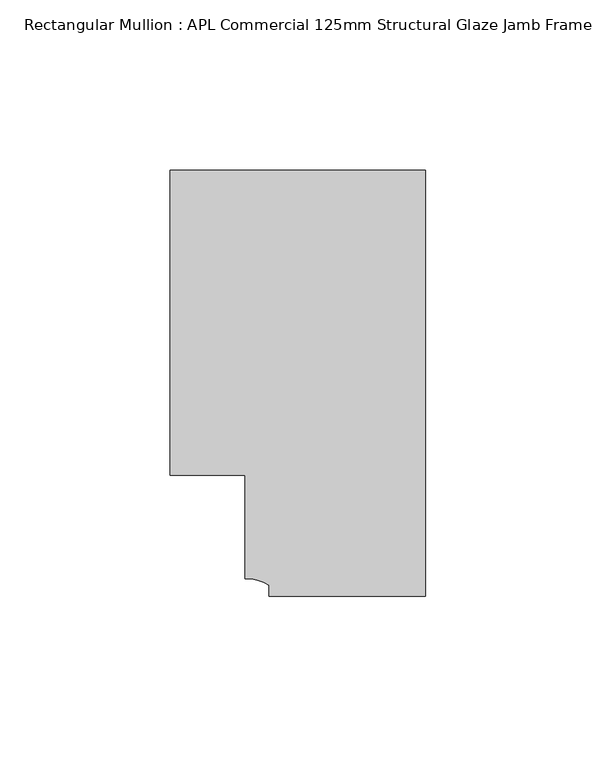
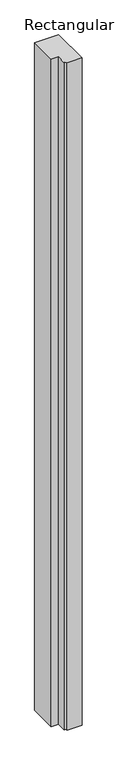
"""IFC4 building model written with IfcOpenShell, lengths in millimetres: member geometry, Rectangular Mullion : APL Commercial 125mm Structural Glaze Jamb Frame (left)."""

import ifcopenshell
import ifcopenshell.guid

model = None  # the IFC model being written
_history = None  # IfcOwnerHistory: only IFC2X3 demands one
_inside = {}  # id of a spatial element -> (the spatial element, [elements in it])
_under = {}  # id of a project, library or spatial element -> (it, [spatial elements below it])
_declared = {}  # id of a project -> (the project, [libraries it declares])
_typed = {}  # id of a type object -> (the type object, [elements of that type])
_made_of = {}  # id of a material, layer set ... -> (it, [elements and type objects made of it])


def new_model(schema):
    """Start an empty IFC model of exactly this schema.

    Asked for "IFC4X3", IfcOpenShell would pick the latest addendum, in which some entities
    have other attributes; the version numbers below select the first issue.
    IFC2X3 requires an IfcOwnerHistory on every rooted entity: one is made here for all.
    """
    global model, _history
    if schema == "IFC4X3":
        model = ifcopenshell.file(schema_version=(4, 3, 0, 0))
    else:
        model = ifcopenshell.file(schema=schema)
    _inside.clear()
    _under.clear()
    _declared.clear()
    _typed.clear()
    _made_of.clear()
    _history = None
    if model.schema == "IFC2X3":
        org = make("IfcOrganization", Name="unknown")
        user = make(
            "IfcPersonAndOrganization",
            ThePerson=make("IfcPerson", FamilyName="unknown"),
            TheOrganization=org,
        )
        app = make(
            "IfcApplication",
            ApplicationDeveloper=org,
            Version="unknown",
            ApplicationFullName="unknown",
            ApplicationIdentifier="unknown",
        )
        _history = make(
            "IfcOwnerHistory",
            OwningUser=user,
            OwningApplication=app,
            ChangeAction="ADDED",
            CreationDate=0,
        )
    return model


def make(cls, **values):
    """One entity of the class cls with the attributes given. An attribute that is None is left unset."""
    return model.create_entity(
        cls, **{name: value for name, value in values.items() if value is not None}
    )


def rooted(cls, **values):
    """An entity with a GlobalId (a new one), such as an element, a storey or a relation."""
    return make(cls, GlobalId=ifcopenshell.guid.new(), OwnerHistory=_history, **values)


def si_unit(unit_type, name, prefix=None):
    """IfcSIUnit, for example si_unit("LENGTHUNIT", "METRE", prefix="MILLI")."""
    return make("IfcSIUnit", UnitType=unit_type, Prefix=prefix, Name=name)


def assignment(units):
    """IfcUnitAssignment: the units of a project."""
    return None if units is None else make("IfcUnitAssignment", Units=units)


def point(xyz):
    """IfcCartesianPoint."""
    return None if xyz is None else make("IfcCartesianPoint", Coordinates=xyz)


def direction(xyz):
    """IfcDirection."""
    return None if xyz is None else make("IfcDirection", DirectionRatios=xyz)


def frame(location, z_axis=None, x_axis=None):
    """IfcAxis2Placement3D, a coordinate frame: its origin and axes. An axis left out is left unset."""
    return make(
        "IfcAxis2Placement3D",
        Location=point(location),
        Axis=direction(z_axis),
        RefDirection=direction(x_axis),
    )


def frame_2d(location, x_axis=None):
    """IfcAxis2Placement2D, a coordinate frame in the plane: its origin and x axis."""
    return make(
        "IfcAxis2Placement2D", Location=point(location), RefDirection=direction(x_axis)
    )


def origin():
    """The frame at (0, 0, 0) with its axes left unset."""
    return frame((0.0, 0.0, 0.0))


def place(relative_to, where):
    """IfcLocalPlacement: puts the frame where relative to a parent placement (None: the world)."""
    return make(
        "IfcLocalPlacement", PlacementRelTo=relative_to, RelativePlacement=where
    )


def context(
    kind, dimensions, precision=None, world=None, true_north=None, identifier=None
):
    """IfcGeometricRepresentationContext, for example the 3D "Model" context."""
    return make(
        "IfcGeometricRepresentationContext",
        ContextIdentifier=identifier,
        ContextType=kind,
        CoordinateSpaceDimension=dimensions,
        Precision=precision,
        WorldCoordinateSystem=world,
        TrueNorth=true_north,
    )


def project(units=None, contexts=None):
    """IfcProject with its units and contexts."""
    return rooted(
        "IfcProject",
        Name="project",
        RepresentationContexts=contexts,
        UnitsInContext=assignment(units),
    )


def spatial(cls, under=None, at=None, **own):
    """A site, building, storey or space (cls), placed at a placement, below another one or the project."""
    s = rooted(cls, ObjectPlacement=at, **own)
    if under is not None:
        _under.setdefault(under.id(), (under, []))[1].append(s)
    return s


def polyline(points):
    """IfcPolyline through the points."""
    return make("IfcPolyline", Points=[point(p) for p in points])


def circle_curve(where, radius):
    """IfcCircle in the frame where."""
    return make("IfcCircle", Position=where, Radius=radius)


def trimmed(basis, trim1, trim2, sense, master):
    """IfcTrimmedCurve: the piece of a basis curve between two trims."""
    return make(
        "IfcTrimmedCurve",
        BasisCurve=basis,
        Trim1=trim1,
        Trim2=trim2,
        SenseAgreement=sense,
        MasterRepresentation=master,
    )


def segment(curve, same_sense, transition):
    """IfcCompositeCurveSegment."""
    return make(
        "IfcCompositeCurveSegment",
        Transition=transition,
        SameSense=same_sense,
        ParentCurve=curve,
    )


def composite_curve(segments, self_intersect=None):
    """IfcCompositeCurve: segments joined end to end."""
    return make("IfcCompositeCurve", Segments=segments, SelfIntersect=self_intersect)


def outline(outer, holes=None, kind="AREA"):
    """IfcArbitraryClosedProfileDef: a profile drawn as a closed curve; with holes, ...WithVoids."""
    if holes is None:
        return make("IfcArbitraryClosedProfileDef", ProfileType=kind, OuterCurve=outer)
    return make(
        "IfcArbitraryProfileDefWithVoids",
        ProfileType=kind,
        OuterCurve=outer,
        InnerCurves=holes,
    )


def extrude(swept, where, along, depth):
    """IfcExtrudedAreaSolid: the profile swept, set in the frame where, extruded along a direction by depth."""
    return make(
        "IfcExtrudedAreaSolid",
        SweptArea=swept,
        Position=where,
        ExtrudedDirection=direction(along),
        Depth=depth,
    )


def shape(context_of_items, identifier, shape_type, items):
    """IfcShapeRepresentation: the items that make up one representation, for example the "Body"."""
    return make(
        "IfcShapeRepresentation",
        ContextOfItems=context_of_items,
        RepresentationIdentifier=identifier,
        RepresentationType=shape_type,
        Items=items,
    )


def source(mapping_origin, context_of_items, identifier, shape_type, items):
    """IfcRepresentationMap: a shape defined once, which mapped items show again and again."""
    return make(
        "IfcRepresentationMap",
        MappingOrigin=mapping_origin,
        MappedRepresentation=shape(context_of_items, identifier, shape_type, items),
    )


def transform(
    local_origin,
    x_axis=None,
    y_axis=None,
    z_axis=None,
    scale=None,
    scale2=None,
    scale3=None,
    uniform=True,
):
    """IfcCartesianTransformationOperator3D, or its non-uniform kind. x_axis, y_axis, z_axis: its Axis1, 2, 3."""
    if uniform:
        return make(
            "IfcCartesianTransformationOperator3D",
            Axis1=direction(x_axis),
            Axis2=direction(y_axis),
            LocalOrigin=point(local_origin),
            Scale=scale,
            Axis3=direction(z_axis),
        )
    return make(
        "IfcCartesianTransformationOperator3DnonUniform",
        Axis1=direction(x_axis),
        Axis2=direction(y_axis),
        LocalOrigin=point(local_origin),
        Scale=scale,
        Axis3=direction(z_axis),
        Scale2=scale2,
        Scale3=scale3,
    )


def mapped(mapping_source, mapping_target):
    """IfcMappedItem: shows the shape of a source again, moved by a transform."""
    return make(
        "IfcMappedItem", MappingSource=mapping_source, MappingTarget=mapping_target
    )


def made_of(thing, what):
    """Note that an element or type object is made of a material, layer set ...; save() writes the relation."""
    if what is not None:
        _made_of.setdefault(what.id(), (what, []))[1].append(thing)
    return thing


def element(
    cls,
    number,
    at=None,
    inside=None,
    cuts=None,
    type_object=None,
    material=None,
    context=None,
    identifier="Body",
    shape_type=None,
    held_by="IfcProductDefinitionShape",
    body=None,
    shapes=None,
    **own,
):
    """One element of the class cls, such as IfcWall. Its Tag is "e" and its number.

    at: its placement. inside: the storey or other place that contains it. cuts: it is an
    opening in that element (IfcRelVoidsElement). A single representation is given by context,
    identifier, shape_type and body (its items); several are given by shapes. held_by: the class
    of the entity that holds the representations. save() writes the other relations.
    """
    e = rooted(cls, Tag="e%d" % number, ObjectPlacement=at, **own)
    if body is not None:
        shapes = [shape(context, identifier, shape_type, body)]
    if shapes is not None:
        e.Representation = make(held_by, Representations=shapes)
    if inside is not None:
        _inside.setdefault(inside.id(), (inside, []))[1].append(e)
    if cuts is not None:
        rooted(
            "IfcRelVoidsElement", RelatingBuildingElement=cuts, RelatedOpeningElement=e
        )
    if type_object is not None:
        _typed.setdefault(type_object.id(), (type_object, []))[1].append(e)
    return made_of(e, material)


def aggregate(whole, parts):
    """IfcRelAggregates: a whole, such as a stair, and the parts it consists of."""
    return rooted("IfcRelAggregates", RelatingObject=whole, RelatedObjects=parts)


def save(model, path):
    """Write the relations noted so far, then the file.

    IfcRelAggregates (storeys below a building ...), IfcRelContainedInSpatialStructure (elements
    in a storey), IfcRelDefinesByType, IfcRelAssociatesMaterial and IfcRelDeclares: one each for
    every whole, place, type object, material and project.
    """
    for whole, parts in _under.values():
        aggregate(whole, parts)
    for where, things in _inside.values():
        rooted(
            "IfcRelContainedInSpatialStructure",
            RelatedElements=things,
            RelatingStructure=where,
        )
    for kind, things in _typed.values():
        rooted("IfcRelDefinesByType", RelatedObjects=things, RelatingType=kind)
    for what, things in _made_of.values():
        rooted("IfcRelAssociatesMaterial", RelatedObjects=things, RelatingMaterial=what)
    for by, libraries in _declared.values():
        rooted("IfcRelDeclares", RelatingContext=by, RelatedDefinitions=libraries)
    model.write(path)


def rectangular_mullion_apl_commercial_125mm_structural_glaze_152944c8(model_context):
    return source(origin(), model_context, "Body", "SweptSolid", [
        extrude(outline(composite_curve([segment(polyline([(0.0, -20.5), (-45.9999842, -20.5), (-45.9999842, -17.3125325)]), True, "CONTINUOUS"), segment(trimmed(circle_curve(frame_2d((-52.1098019, -25.7981812)), 10.4563907), [point((-45.9999842, -17.3125325))], [point((-52.9999391, -15.3797475))], True, "CARTESIAN"), True, "CONTINUOUS"), segment(polyline([(-52.9999391, -15.3797475), (-52.9999391, 15.0000829), (-75.0, 15.0000829), (-75.0, 104.5), (0.0, 104.5), (0.0, -20.5)]), True, "CONTINUOUS")], self_intersect=False)), frame((0.0, 0.0, -2200.0), z_axis=(0.0, 0.0, 1.0), x_axis=(1.0, 0.0, 0.0)), (0.0, 0.0, 1.0), 2200.0),
    ])


if __name__ == "__main__":
    model = new_model("IFC4")
    model_context = context("Model", 3, world=origin())
    ifc_project = project(units=[si_unit("LENGTHUNIT", "METRE", prefix="MILLI")], contexts=[model_context])
    site = spatial("IfcSite", under=ifc_project)
    building = spatial("IfcBuilding", under=site)
    placement = place(None, origin())
    rectangular_mullion_apl_commercial_125mm_structural_glaze_shape = rectangular_mullion_apl_commercial_125mm_structural_glaze_152944c8(model_context)
    element("IfcMember", 1, ObjectType="Rectangular Mullion : APL Commercial 125mm Structural Glaze Jamb Frame (left)", at=placement, inside=building, context=model_context, shape_type="MappedRepresentation", body=[
        mapped(rectangular_mullion_apl_commercial_125mm_structural_glaze_shape, transform((0.0, 0.0, 0.0), x_axis=(1.0, 0.0, 0.0), y_axis=(0.0, 1.0, 0.0), z_axis=(0.0, 0.0, 1.0))),
    ])
    save(model, "model.ifc")
